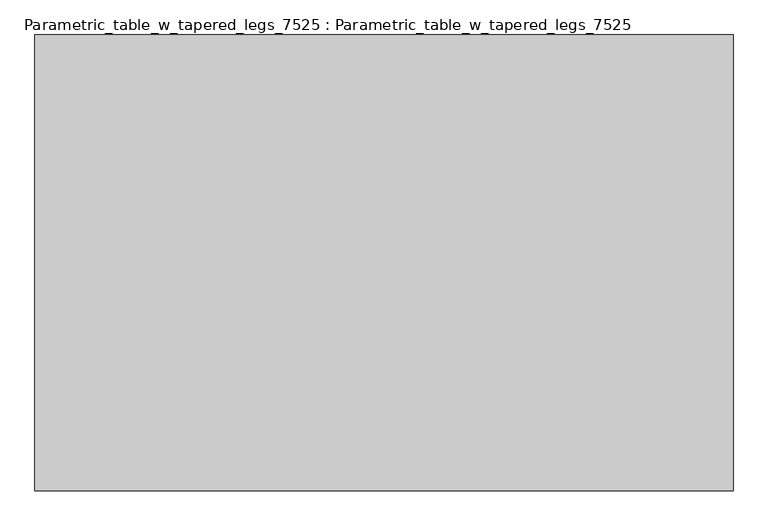
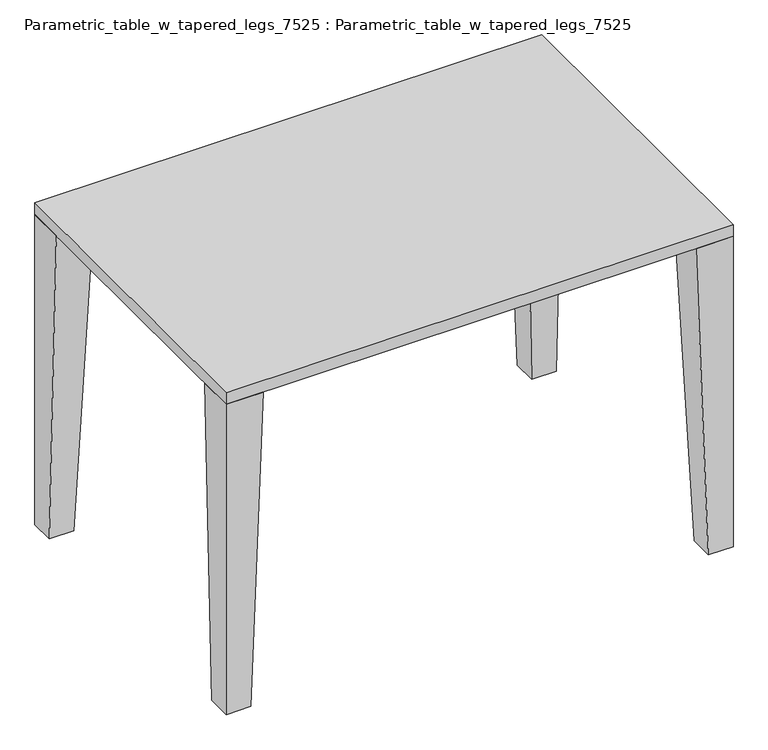
"""IFC4 building model written with IfcOpenShell, lengths in millimetres: furniture geometry, Parametric_table_w_tapered_legs_7525 : Parametric_table_w_tapered_legs_7525."""

from ifc_helpers import new_model, si_unit, frame, origin, place, context, project, spatial, polyline, outline, extrude, faceted_brep, source, transform, mapped, element, save


def parametric_table_w_tapered_legs_7525_parametric_table_w_b1458200(model_context):
    return source(origin(), model_context, "Body", "SolidModel", [
        faceted_brep([(470.6113263, -340.3556933, 0.0), (470.6113263, -289.5556933, 0.0), (521.4113263, -289.5556933, 0.0), (521.4113263, -340.3556933, 0.0), (445.2113263, -340.3556933, 674.6), (521.4113263, -340.3556933, 674.6), (521.4113263, -264.1556933, 674.6), (445.2113263, -264.1556933, 674.6)], [[[0, 1, 2, 3]], [[4, 5, 6, 7]], [[4, 7, 1, 0]], [[7, 6, 2, 1]], [[6, 5, 3, 2]], [[5, 4, 0, 3]]]),
        faceted_brep([(-470.6113263, -340.3556933, 0.0), (-521.4113263, -340.3556933, 0.0), (-521.4113263, -289.5556933, 0.0), (-470.6113263, -289.5556933, 0.0), (-445.2113263, -340.3556933, 674.6), (-445.2113263, -264.1556933, 674.6), (-521.4113263, -264.1556933, 674.6), (-521.4113263, -340.3556933, 674.6)], [[[0, 1, 2, 3]], [[4, 5, 6, 7]], [[5, 4, 0, 3]], [[6, 5, 3, 2]], [[7, 6, 2, 1]], [[4, 7, 1, 0]]]),
        faceted_brep([(470.6113263, 340.3556933, 0.0), (521.4113263, 340.3556933, 0.0), (521.4113263, 289.5556933, 0.0), (470.6113263, 289.5556933, 0.0), (445.2113263, 340.3556933, 674.6), (445.2113263, 264.1556933, 674.6), (521.4113263, 264.1556933, 674.6), (521.4113263, 340.3556933, 674.6)], [[[0, 1, 2, 3]], [[4, 5, 6, 7]], [[5, 4, 0, 3]], [[6, 5, 3, 2]], [[7, 6, 2, 1]], [[4, 7, 1, 0]]]),
        faceted_brep([(-470.6113263, 340.3556933, 0.0), (-470.6113263, 289.5556933, 0.0), (-521.4113263, 289.5556933, 0.0), (-521.4113263, 340.3556933, 0.0), (-445.2113263, 340.3556933, 674.6), (-521.4113263, 340.3556933, 674.6), (-521.4113263, 264.1556933, 674.6), (-445.2113263, 264.1556933, 674.6)], [[[0, 1, 2, 3]], [[4, 5, 6, 7]], [[4, 7, 1, 0]], [[7, 6, 2, 1]], [[6, 5, 3, 2]], [[5, 4, 0, 3]]]),
        extrude(outline(polyline([(521.4113263, -340.3556933), (-521.4113263, -340.3556933), (-521.4113263, 340.3556933), (521.4113263, 340.3556933), (521.4113263, -340.3556933)])), frame((0.0, 0.0, 674.6), z_axis=(0.0, 0.0, 1.0), x_axis=(1.0, 0.0, 0.0)), (0.0, 0.0, 1.0), 25.4),
    ])


if __name__ == "__main__":
    model = new_model("IFC4")
    model_context = context("Model", 3, world=origin())
    ifc_project = project(units=[si_unit("LENGTHUNIT", "METRE", prefix="MILLI")], contexts=[model_context])
    site = spatial("IfcSite", under=ifc_project)
    building = spatial("IfcBuilding", under=site)
    placement = place(None, origin())
    parametric_table_w_tapered_legs_7525_parametric_table_w_shape = parametric_table_w_tapered_legs_7525_parametric_table_w_b1458200(model_context)
    element("IfcFurniture", 1, ObjectType="Parametric_table_w_tapered_legs_7525 : Parametric_table_w_tapered_legs_7525", at=placement, inside=building, context=model_context, shape_type="MappedRepresentation", body=[
        mapped(parametric_table_w_tapered_legs_7525_parametric_table_w_shape, transform((0.0, 0.0, 0.0), x_axis=(1.0, 0.0, 0.0), y_axis=(0.0, 1.0, 0.0), z_axis=(0.0, 0.0, 1.0))),
    ])
    save(model, "model.ifc")
